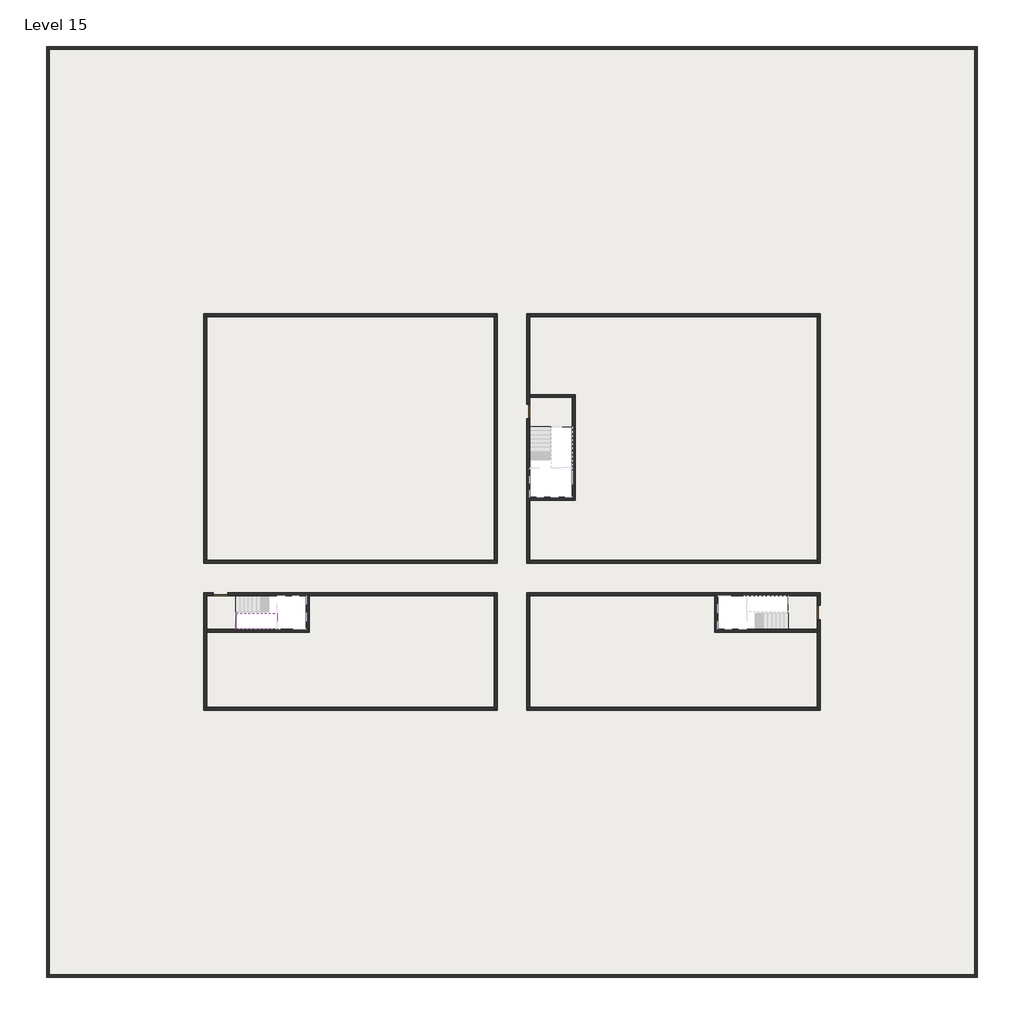
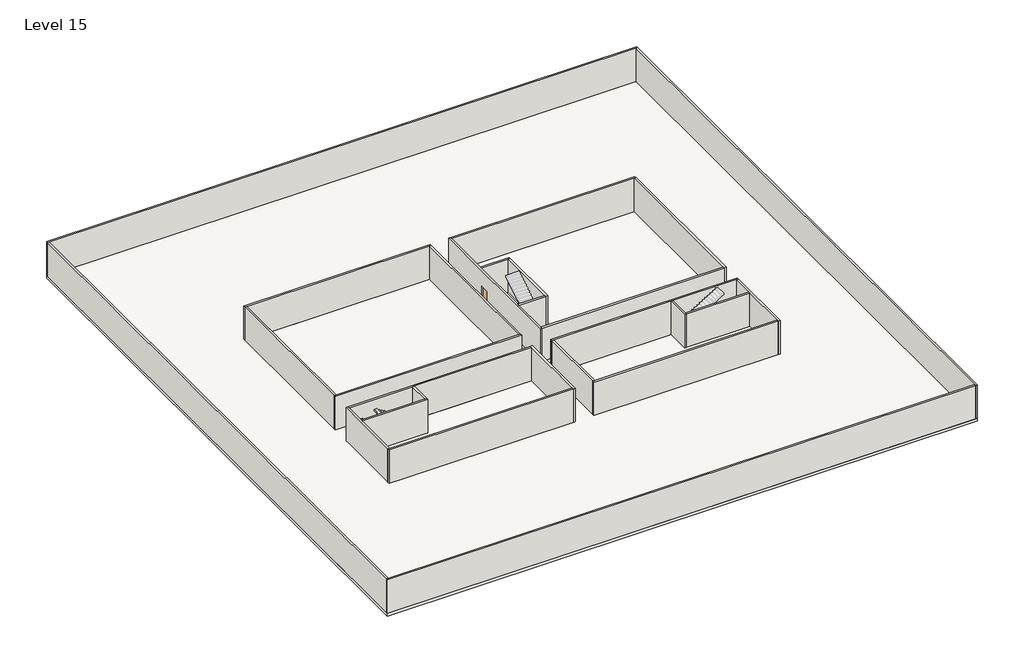
# One storey, part 1 of 2: 27 walls, 3 doors, 3 slabs, 1 stair flight.
"""IFC4 building model written with IfcOpenShell, lengths in millimetres."""

import ifcopenshell
import ifcopenshell.guid

model = None  # the IFC model being written
_history = None  # IfcOwnerHistory: only IFC2X3 demands one
_inside = {}  # id of a spatial element -> (the spatial element, [elements in it])
_under = {}  # id of a project, library or spatial element -> (it, [spatial elements below it])
_declared = {}  # id of a project -> (the project, [libraries it declares])
_typed = {}  # id of a type object -> (the type object, [elements of that type])
_made_of = {}  # id of a material, layer set ... -> (it, [elements and type objects made of it])


def new_model(schema):
    """Start an empty IFC model of exactly this schema.

    Asked for "IFC4X3", IfcOpenShell would pick the latest addendum, in which some entities
    have other attributes; the version numbers below select the first issue.
    IFC2X3 requires an IfcOwnerHistory on every rooted entity: one is made here for all.
    """
    global model, _history
    if schema == "IFC4X3":
        model = ifcopenshell.file(schema_version=(4, 3, 0, 0))
    else:
        model = ifcopenshell.file(schema=schema)
    _inside.clear()
    _under.clear()
    _declared.clear()
    _typed.clear()
    _made_of.clear()
    _history = None
    if model.schema == "IFC2X3":
        org = make("IfcOrganization", Name="unknown")
        user = make(
            "IfcPersonAndOrganization",
            ThePerson=make("IfcPerson", FamilyName="unknown"),
            TheOrganization=org,
        )
        app = make(
            "IfcApplication",
            ApplicationDeveloper=org,
            Version="unknown",
            ApplicationFullName="unknown",
            ApplicationIdentifier="unknown",
        )
        _history = make(
            "IfcOwnerHistory",
            OwningUser=user,
            OwningApplication=app,
            ChangeAction="ADDED",
            CreationDate=0,
        )
    return model


def make(cls, **values):
    """One entity of the class cls with the attributes given. An attribute that is None is left unset."""
    return model.create_entity(
        cls, **{name: value for name, value in values.items() if value is not None}
    )


def rooted(cls, **values):
    """An entity with a GlobalId (a new one), such as an element, a storey or a relation."""
    return make(cls, GlobalId=ifcopenshell.guid.new(), OwnerHistory=_history, **values)


def si_unit(unit_type, name, prefix=None):
    """IfcSIUnit, for example si_unit("LENGTHUNIT", "METRE", prefix="MILLI")."""
    return make("IfcSIUnit", UnitType=unit_type, Prefix=prefix, Name=name)


def assignment(units):
    """IfcUnitAssignment: the units of a project."""
    return None if units is None else make("IfcUnitAssignment", Units=units)


def point(xyz):
    """IfcCartesianPoint."""
    return None if xyz is None else make("IfcCartesianPoint", Coordinates=xyz)


def direction(xyz):
    """IfcDirection."""
    return None if xyz is None else make("IfcDirection", DirectionRatios=xyz)


def frame(location, z_axis=None, x_axis=None):
    """IfcAxis2Placement3D, a coordinate frame: its origin and axes. An axis left out is left unset."""
    return make(
        "IfcAxis2Placement3D",
        Location=point(location),
        Axis=direction(z_axis),
        RefDirection=direction(x_axis),
    )


def origin():
    """The frame at (0, 0, 0) with its axes left unset."""
    return frame((0.0, 0.0, 0.0))


def origin_with_axes():
    """The frame at (0, 0, 0) with the z axis (0, 0, 1) and the x axis (1, 0, 0) written out."""
    return frame((0.0, 0.0, 0.0), z_axis=(0.0, 0.0, 1.0), x_axis=(1.0, 0.0, 0.0))


def place(relative_to, where):
    """IfcLocalPlacement: puts the frame where relative to a parent placement (None: the world)."""
    return make(
        "IfcLocalPlacement", PlacementRelTo=relative_to, RelativePlacement=where
    )


def context(
    kind, dimensions, precision=None, world=None, true_north=None, identifier=None
):
    """IfcGeometricRepresentationContext, for example the 3D "Model" context."""
    return make(
        "IfcGeometricRepresentationContext",
        ContextIdentifier=identifier,
        ContextType=kind,
        CoordinateSpaceDimension=dimensions,
        Precision=precision,
        WorldCoordinateSystem=world,
        TrueNorth=true_north,
    )


def project(units=None, contexts=None):
    """IfcProject with its units and contexts."""
    return rooted(
        "IfcProject",
        Name="project",
        RepresentationContexts=contexts,
        UnitsInContext=assignment(units),
    )


def spatial(cls, under=None, at=None, **own):
    """A site, building, storey or space (cls), placed at a placement, below another one or the project."""
    s = rooted(cls, ObjectPlacement=at, **own)
    if under is not None:
        _under.setdefault(under.id(), (under, []))[1].append(s)
    return s


def polyline(points):
    """IfcPolyline through the points."""
    return make("IfcPolyline", Points=[point(p) for p in points])


def outline(outer, holes=None, kind="AREA"):
    """IfcArbitraryClosedProfileDef: a profile drawn as a closed curve; with holes, ...WithVoids."""
    if holes is None:
        return make("IfcArbitraryClosedProfileDef", ProfileType=kind, OuterCurve=outer)
    return make(
        "IfcArbitraryProfileDefWithVoids",
        ProfileType=kind,
        OuterCurve=outer,
        InnerCurves=holes,
    )


def extrude(swept, where, along, depth):
    """IfcExtrudedAreaSolid: the profile swept, set in the frame where, extruded along a direction by depth."""
    return make(
        "IfcExtrudedAreaSolid",
        SweptArea=swept,
        Position=where,
        ExtrudedDirection=direction(along),
        Depth=depth,
    )


def faces_of(points, faces, orient=None, outer=None):
    """IfcFace entities. A face is a list of loops; a loop is a list of indices into points, from 0.

    orient and outer hold one flag for each loop. By default every Orientation is true, the
    first loop of a face is its IfcFaceOuterBound and the others are IfcFaceBound.
    """
    made = []
    for i, loops in enumerate(faces):
        bounds = []
        for j, loop in enumerate(loops):
            is_outer = j == 0 if outer is None else outer[i][j]
            bounds.append(
                make(
                    "IfcFaceOuterBound" if is_outer else "IfcFaceBound",
                    Bound=make("IfcPolyLoop", Polygon=[points[k] for k in loop]),
                    Orientation=True if orient is None else orient[i][j],
                )
            )
        made.append(make("IfcFace", Bounds=bounds))
    return made


def faceted_brep(points, faces, orient=None, outer=None, voids=None):
    """IfcFacetedBrep: a solid bounded by flat faces; with voids (closed shells), ...WithVoids."""
    shared = [point(p) for p in points]
    hull = make("IfcClosedShell", CfsFaces=faces_of(shared, faces, orient, outer))
    if voids is None:
        return make("IfcFacetedBrep", Outer=hull)
    return make(
        "IfcFacetedBrepWithVoids",
        Outer=hull,
        Voids=[
            make(cls, CfsFaces=faces_of(shared, fs, o, b)) for cls, fs, o, b in voids
        ],
    )


def shape(context_of_items, identifier, shape_type, items):
    """IfcShapeRepresentation: the items that make up one representation, for example the "Body"."""
    return make(
        "IfcShapeRepresentation",
        ContextOfItems=context_of_items,
        RepresentationIdentifier=identifier,
        RepresentationType=shape_type,
        Items=items,
    )


def source(mapping_origin, context_of_items, identifier, shape_type, items):
    """IfcRepresentationMap: a shape defined once, which mapped items show again and again."""
    return make(
        "IfcRepresentationMap",
        MappingOrigin=mapping_origin,
        MappedRepresentation=shape(context_of_items, identifier, shape_type, items),
    )


def transform(
    local_origin,
    x_axis=None,
    y_axis=None,
    z_axis=None,
    scale=None,
    scale2=None,
    scale3=None,
    uniform=True,
):
    """IfcCartesianTransformationOperator3D, or its non-uniform kind. x_axis, y_axis, z_axis: its Axis1, 2, 3."""
    if uniform:
        return make(
            "IfcCartesianTransformationOperator3D",
            Axis1=direction(x_axis),
            Axis2=direction(y_axis),
            LocalOrigin=point(local_origin),
            Scale=scale,
            Axis3=direction(z_axis),
        )
    return make(
        "IfcCartesianTransformationOperator3DnonUniform",
        Axis1=direction(x_axis),
        Axis2=direction(y_axis),
        LocalOrigin=point(local_origin),
        Scale=scale,
        Axis3=direction(z_axis),
        Scale2=scale2,
        Scale3=scale3,
    )


def mapped(mapping_source, mapping_target):
    """IfcMappedItem: shows the shape of a source again, moved by a transform."""
    return make(
        "IfcMappedItem", MappingSource=mapping_source, MappingTarget=mapping_target
    )


def made_of(thing, what):
    """Note that an element or type object is made of a material, layer set ...; save() writes the relation."""
    if what is not None:
        _made_of.setdefault(what.id(), (what, []))[1].append(thing)
    return thing


def element(
    cls,
    number,
    at=None,
    inside=None,
    cuts=None,
    type_object=None,
    material=None,
    context=None,
    identifier="Body",
    shape_type=None,
    held_by="IfcProductDefinitionShape",
    body=None,
    shapes=None,
    **own,
):
    """One element of the class cls, such as IfcWall. Its Tag is "e" and its number.

    at: its placement. inside: the storey or other place that contains it. cuts: it is an
    opening in that element (IfcRelVoidsElement). A single representation is given by context,
    identifier, shape_type and body (its items); several are given by shapes. held_by: the class
    of the entity that holds the representations. save() writes the other relations.
    """
    e = rooted(cls, Tag="e%d" % number, ObjectPlacement=at, **own)
    if body is not None:
        shapes = [shape(context, identifier, shape_type, body)]
    if shapes is not None:
        e.Representation = make(held_by, Representations=shapes)
    if inside is not None:
        _inside.setdefault(inside.id(), (inside, []))[1].append(e)
    if cuts is not None:
        rooted(
            "IfcRelVoidsElement", RelatingBuildingElement=cuts, RelatedOpeningElement=e
        )
    if type_object is not None:
        _typed.setdefault(type_object.id(), (type_object, []))[1].append(e)
    return made_of(e, material)


def aggregate(whole, parts):
    """IfcRelAggregates: a whole, such as a stair, and the parts it consists of."""
    return rooted("IfcRelAggregates", RelatingObject=whole, RelatedObjects=parts)


def save(model, path):
    """Write the relations noted so far, then the file.

    IfcRelAggregates (storeys below a building ...), IfcRelContainedInSpatialStructure (elements
    in a storey), IfcRelDefinesByType, IfcRelAssociatesMaterial and IfcRelDeclares: one each for
    every whole, place, type object, material and project.
    """
    for whole, parts in _under.values():
        aggregate(whole, parts)
    for where, things in _inside.values():
        rooted(
            "IfcRelContainedInSpatialStructure",
            RelatedElements=things,
            RelatingStructure=where,
        )
    for kind, things in _typed.values():
        rooted("IfcRelDefinesByType", RelatedObjects=things, RelatingType=kind)
    for what, things in _made_of.values():
        rooted("IfcRelAssociatesMaterial", RelatedObjects=things, RelatingMaterial=what)
    for by, libraries in _declared.values():
        rooted("IfcRelDeclares", RelatingContext=by, RelatedDefinitions=libraries)
    model.write(path)


def door_fb3c37fd(model_context):
    return source(origin(), model_context, "Body", "SweptSolid", [
        extrude(outline(polyline([(500.0, 49.0), (-500.0, 49.0), (-500.0, 100.0), (500.0, 100.0), (500.0, 49.0)])), origin_with_axes(), (0.0, 0.0, 1.0), 2100.0),
    ])


def door_0317a72c(model_context):
    return source(origin(), model_context, "Body", "SweptSolid", [
        extrude(outline(polyline([(500.0, -49.0), (500.0, -100.0), (-500.0, -100.0), (-500.0, -49.0), (500.0, -49.0)])), origin_with_axes(), (0.0, 0.0, 1.0), 2100.0),
    ])


model = new_model("IFC4")

# Units and contexts
model_context = context("Model", 3, world=origin())
ifc_project = project(units=[si_unit("LENGTHUNIT", "METRE", prefix="MILLI")], contexts=[model_context])

# Site, building, storey
site = spatial("IfcSite", under=ifc_project)
building = spatial("IfcBuilding", under=site)
storey = spatial("IfcBuildingStorey", under=building, Name="Level 15", Elevation=53200.0)

# Doors
placement = place(None, origin())
door_shape = door_fb3c37fd(model_context)
element("IfcDoor", 1, at=placement, inside=storey, context=model_context, shape_type="MappedRepresentation", body=[
    mapped(door_shape, transform((4340.1058784, -42818.09644, 53200.0), x_axis=(-1.0, 0.0, 0.0), y_axis=(0.0, -1.0, 0.0), z_axis=(0.0, 0.0, 1.0))),
])
element("IfcDoor", 2, at=placement, inside=storey, context=model_context, shape_type="MappedRepresentation", body=[
    mapped(door_shape, transform((45090.1058784, -44068.09644, 53200.0), x_axis=(0.0, 1.0, 0.0), y_axis=(-1.0, 0.0, 0.0), z_axis=(0.0, 0.0, 1.0))),
])
door_2_shape = door_0317a72c(model_context)
element("IfcDoor", 3, at=placement, inside=storey, context=model_context, shape_type="MappedRepresentation", body=[
    mapped(door_2_shape, transform((25290.1058784, -30368.09644, 53200.0), x_axis=(0.0, 1.0, 0.0), y_axis=(-1.0, 0.0, 0.0), z_axis=(0.0, 0.0, 1.0))),
])

# Slabs
element("IfcSlab", 4, at=placement, inside=storey, context=model_context, shape_type="SweptSolid", body=[
    extrude(outline(polyline([(55890.1058784, -5518.09644), (55890.1058784, -68918.09644), (-7509.8941216, -68918.09644), (-7509.8941216, -5518.09644), (55890.1058784, -5518.09644)]), holes=[polyline([(22990.1058784, -23918.09644), (3390.1058784, -23918.09644), (3390.1058784, -40518.09644), (22990.1058784, -40518.09644), (22990.1058784, -23918.09644)]), polyline([(44990.1058784, -23918.09644), (25390.1058784, -23918.09644), (25390.1058784, -40518.09644), (44990.1058784, -40518.09644), (44990.1058784, -23918.09644)]), polyline([(44990.1058784, -42918.09644), (25390.1058784, -42918.09644), (25390.1058784, -50518.09644), (44990.1058784, -50518.09644), (44990.1058784, -42918.09644)]), polyline([(22990.1058784, -42918.09644), (3390.1058784, -42918.09644), (3390.1058784, -50518.09644), (22990.1058784, -50518.09644), (22990.1058784, -42918.09644)])]), frame((0.0, 0.0, 52900.0), z_axis=(0.0, 0.0, 1.0), x_axis=(1.0, 0.0, 0.0)), (0.0, 0.0, 1.0), 300.0),
])
element("IfcSlab", 5, at=placement, inside=storey, context=model_context, shape_type="SweptSolid", body=[
    extrude(outline(polyline([(22990.1058784, -23918.09644), (22990.1058784, -40518.09644), (3390.1058784, -40518.09644), (3390.1058784, -23918.09644), (22990.1058784, -23918.09644)])), frame((0.0, 0.0, 52900.0), z_axis=(0.0, 0.0, 1.0), x_axis=(1.0, 0.0, 0.0)), (0.0, 0.0, 1.0), 300.0),
    extrude(outline(polyline([(44990.1058784, -23918.09644), (44990.1058784, -40518.09644), (25390.1058784, -40518.09644), (25390.1058784, -36418.09644), (28490.1058784, -36418.09644), (28490.1058784, -29218.09644), (25390.1058784, -29218.09644), (25390.1058784, -23918.09644), (44990.1058784, -23918.09644)])), frame((0.0, 0.0, 52900.0), z_axis=(0.0, 0.0, 1.0), x_axis=(1.0, 0.0, 0.0)), (0.0, 0.0, 1.0), 300.0),
    extrude(outline(polyline([(22990.1058784, -42918.09644), (22990.1058784, -50518.09644), (3390.1058784, -50518.09644), (3390.1058784, -45418.09644), (10390.1058784, -45418.09644), (10390.1058784, -42918.09644), (22990.1058784, -42918.09644)])), frame((0.0, 0.0, 52900.0), z_axis=(0.0, 0.0, 1.0), x_axis=(1.0, 0.0, 0.0)), (0.0, 0.0, 1.0), 300.0),
    extrude(outline(polyline([(37990.1058784, -42918.09644), (37990.1058784, -45418.09644), (44990.1058784, -45418.09644), (44990.1058784, -50518.09644), (25390.1058784, -50518.09644), (25390.1058784, -42918.09644), (37990.1058784, -42918.09644)])), frame((0.0, 0.0, 52900.0), z_axis=(0.0, 0.0, 1.0), x_axis=(1.0, 0.0, 0.0)), (0.0, 0.0, 1.0), 300.0),
])
element("IfcSlab", 6, at=placement, inside=storey, context=model_context, shape_type="SweptSolid", body=[
    extrude(outline(polyline([(44990.1058784, -42918.09644), (44990.1058784, -45218.09644), (42990.1058784, -45218.09644), (42990.1058784, -42918.09644), (44990.1058784, -42918.09644)])), frame((0.0, 0.0, 52900.0), z_axis=(0.0, 0.0, 1.0), x_axis=(1.0, 0.0, 0.0)), (0.0, 0.0, 1.0), 300.0),
    extrude(outline(polyline([(5390.1058784, -42918.09644), (5390.1058784, -45218.09644), (3390.1058784, -45218.09644), (3390.1058784, -42918.09644), (5390.1058784, -42918.09644)])), frame((0.0, 0.0, 52900.0), z_axis=(0.0, 0.0, 1.0), x_axis=(1.0, 0.0, 0.0)), (0.0, 0.0, 1.0), 300.0),
    extrude(outline(polyline([(28290.1058784, -29418.09644), (28290.1058784, -31418.09644), (25390.1058784, -31418.09644), (25390.1058784, -29418.09644), (28290.1058784, -29418.09644)])), frame((0.0, 0.0, 52900.0), z_axis=(0.0, 0.0, 1.0), x_axis=(1.0, 0.0, 0.0)), (0.0, 0.0, 1.0), 300.0),
])

# Stair flight
element("IfcStairFlight", 7, at=placement, inside=storey, context=model_context, shape_type="Brep", body=[
    faceted_brep([(7910.1058784, -45218.09644, 55272.7272727), (8190.1058784, -45218.09644, 55272.7272727), (8190.1058784, -44118.09644, 55272.7272727), (7910.1058784, -44118.09644, 55272.7272727), (7910.1058784, -45218.09644, 55096.4823932), (8190.1058784, -45218.09644, 54923.7551205), (8190.1058784, -45218.09644, 55100.0), (8190.1058784, -44118.09644, 54923.7551205), (7910.1058784, -44118.09644, 55096.4823932), (7630.1058784, -45218.09644, 55445.4545455), (7910.1058784, -45218.09644, 55445.4545455), (7910.1058784, -44118.09644, 55445.4545455), (7630.1058784, -44118.09644, 55445.4545455), (7630.1058784, -45218.09644, 55269.209666), (7630.1058784, -44118.09644, 55269.209666), (7350.1058784, -45218.09644, 55618.1818182), (7630.1058784, -45218.09644, 55618.1818182), (7630.1058784, -44118.09644, 55618.1818182), (7350.1058784, -44118.09644, 55618.1818182), (7350.1058784, -45218.09644, 55441.9369387), (7350.1058784, -44118.09644, 55441.9369387), (7070.1058784, -45218.09644, 55790.9090909), (7350.1058784, -45218.09644, 55790.9090909), (7350.1058784, -44118.09644, 55790.9090909), (7070.1058784, -44118.09644, 55790.9090909), (7070.1058784, -45218.09644, 55614.6642114), (7070.1058784, -44118.09644, 55614.6642114), (6790.1058784, -45218.09644, 55963.6363636), (7070.1058784, -45218.09644, 55963.6363636), (7070.1058784, -44118.09644, 55963.6363636), (6790.1058784, -44118.09644, 55963.6363636), (6790.1058784, -45218.09644, 55787.3914841), (6790.1058784, -44118.09644, 55787.3914841), (6510.1058784, -45218.09644, 56136.3636364), (6790.1058784, -45218.09644, 56136.3636364), (6790.1058784, -44118.09644, 56136.3636364), (6510.1058784, -44118.09644, 56136.3636364), (6510.1058784, -45218.09644, 55960.1187569), (6510.1058784, -44118.09644, 55960.1187569), (6230.1058784, -45218.09644, 56309.0909091), (6510.1058784, -45218.09644, 56309.0909091), (6510.1058784, -44118.09644, 56309.0909091), (6230.1058784, -44118.09644, 56309.0909091), (6230.1058784, -45218.09644, 56132.8460296), (6230.1058784, -44118.09644, 56132.8460296), (5950.1058784, -45218.09644, 56481.8181818), (6230.1058784, -45218.09644, 56481.8181818), (6230.1058784, -44118.09644, 56481.8181818), (5950.1058784, -44118.09644, 56481.8181818), (5950.1058784, -45218.09644, 56305.5733023), (5950.1058784, -44118.09644, 56305.5733023), (5670.1058784, -45218.09644, 56654.5454545), (5950.1058784, -45218.09644, 56654.5454545), (5950.1058784, -44118.09644, 56654.5454545), (5670.1058784, -44118.09644, 56654.5454545), (5670.1058784, -45218.09644, 56478.3005751), (5670.1058784, -44118.09644, 56478.3005751), (5390.1058784, -45218.09644, 56827.2727273), (5670.1058784, -45218.09644, 56827.2727273), (5670.1058784, -44118.09644, 56827.2727273), (5390.1058784, -44118.09644, 56827.2727273), (5390.1058784, -45218.09644, 56651.0278478), (5390.1058784, -44118.09644, 56651.0278478)], [[[0, 1, 2, 3]], [[1, 0, 4, 5, 6]], [[2, 1, 6, 5, 7]], [[3, 2, 7, 8]], [[9, 10, 11, 12]], [[10, 9, 13, 4, 0]], [[11, 10, 0, 3]], [[12, 11, 3, 8, 14]], [[15, 16, 17, 18]], [[16, 15, 19, 13, 9]], [[17, 16, 9, 12]], [[18, 17, 12, 14, 20]], [[21, 22, 23, 24]], [[22, 21, 25, 19, 15]], [[23, 22, 15, 18]], [[24, 23, 18, 20, 26]], [[27, 28, 29, 30]], [[28, 27, 31, 25, 21]], [[29, 28, 21, 24]], [[30, 29, 24, 26, 32]], [[33, 34, 35, 36]], [[34, 33, 37, 31, 27]], [[35, 34, 27, 30]], [[36, 35, 30, 32, 38]], [[39, 40, 41, 42]], [[40, 39, 43, 37, 33]], [[41, 40, 33, 36]], [[42, 41, 36, 38, 44]], [[45, 46, 47, 48]], [[46, 45, 49, 43, 39]], [[47, 46, 39, 42]], [[48, 47, 42, 44, 50]], [[51, 52, 53, 54]], [[52, 51, 55, 49, 45]], [[53, 52, 45, 48]], [[54, 53, 48, 50, 56]], [[57, 58, 59, 60]], [[58, 57, 61, 55, 51]], [[59, 58, 51, 54]], [[60, 59, 54, 56, 62]], [[57, 60, 62, 61]], [[5, 4, 13, 19, 25, 31, 37, 43, 49, 55, 61, 62, 56, 50, 44, 38, 32, 26, 20, 14, 8, 7]]]),
])

# Walls
element("IfcWall", 8, at=placement, inside=storey, context=model_context, shape_type="Brep", body=[
    faceted_brep([(-7509.8941216, -5718.09644, 53200.0), (-7309.8941216, -5718.09644, 53200.0), (55690.1058784, -5718.09644, 53200.0), (55890.1058784, -5718.09644, 53200.0), (55890.1058784, -5718.09644, 57000.0), (55690.1058784, -5718.09644, 57000.0), (-7309.8941216, -5718.09644, 57000.0), (-7509.8941216, -5718.09644, 57000.0), (-7509.8941216, -5518.09644, 53200.0), (-7509.8941216, -5518.09644, 57000.0), (55890.1058784, -5518.09644, 57000.0), (55890.1058784, -5518.09644, 53200.0)], [[[0, 1, 2, 3, 4, 5, 6, 7]], [[8, 9, 10, 11]], [[3, 2, 1, 0, 8, 11]], [[7, 6, 5, 4, 10, 9]], [[4, 3, 11, 10]], [[0, 7, 9, 8]]]),
])
element("IfcWall", 9, at=placement, inside=storey, context=model_context, shape_type="Brep", body=[
    faceted_brep([(55690.1058784, -5718.09644, 53200.0), (55690.1058784, -68718.09644, 53200.0), (55690.1058784, -68918.09644, 53200.0), (55690.1058784, -68918.09644, 57000.0), (55690.1058784, -68718.09644, 57000.0), (55690.1058784, -5718.09644, 57000.0), (55890.1058784, -5718.09644, 53200.0), (55890.1058784, -5718.09644, 57000.0), (55890.1058784, -68918.09644, 57000.0), (55890.1058784, -68918.09644, 53200.0)], [[[0, 1, 2, 3, 4, 5]], [[6, 7, 8, 9]], [[2, 1, 0, 6, 9]], [[5, 4, 3, 8, 7]], [[0, 5, 7, 6]], [[3, 2, 9, 8]]]),
])
element("IfcWall", 10, at=placement, inside=storey, context=model_context, shape_type="Brep", body=[
    faceted_brep([(55690.1058784, -68718.09644, 53200.0), (-7309.8941216, -68718.09644, 53200.0), (-7509.8941216, -68718.09644, 53200.0), (-7509.8941216, -68718.09644, 57000.0), (-7309.8941216, -68718.09644, 57000.0), (55690.1058784, -68718.09644, 57000.0), (55690.1058784, -68918.09644, 53200.0), (55690.1058784, -68918.09644, 57000.0), (-7509.8941216, -68918.09644, 57000.0), (-7509.8941216, -68918.09644, 53200.0)], [[[0, 1, 2, 3, 4, 5]], [[6, 7, 8, 9]], [[2, 1, 0, 6, 9]], [[5, 4, 3, 8, 7]], [[0, 5, 7, 6]], [[3, 2, 9, 8]]]),
])
element("IfcWall", 11, at=placement, inside=storey, context=model_context, shape_type="SweptSolid", body=[
    extrude(outline(polyline([(-7309.8941216, -5718.09644), (-7309.8941216, -68718.09644), (-7509.8941216, -68718.09644), (-7509.8941216, -5718.09644), (-7309.8941216, -5718.09644)])), frame((0.0, 0.0, 53200.0), z_axis=(0.0, 0.0, 1.0), x_axis=(1.0, 0.0, 0.0)), (0.0, 0.0, 1.0), 3800.0),
])
element("IfcWall", 12, at=placement, inside=storey, context=model_context, shape_type="Brep", body=[
    faceted_brep([(3190.1058784, -23918.09644, 53200.0), (3390.1058784, -23918.09644, 53200.0), (22990.1058784, -23918.09644, 53200.0), (23190.1058784, -23918.09644, 53200.0), (23190.1058784, -23918.09644, 57000.0), (22990.1058784, -23918.09644, 57000.0), (3390.1058784, -23918.09644, 57000.0), (3190.1058784, -23918.09644, 57000.0), (3190.1058784, -23718.09644, 53200.0), (3190.1058784, -23718.09644, 57000.0), (23190.1058784, -23718.09644, 57000.0), (23190.1058784, -23718.09644, 53200.0)], [[[0, 1, 2, 3, 4, 5, 6, 7]], [[8, 9, 10, 11]], [[3, 2, 1, 0, 8, 11]], [[7, 6, 5, 4, 10, 9]], [[0, 7, 9, 8]], [[4, 3, 11, 10]]]),
])
element("IfcWall", 13, at=placement, inside=storey, context=model_context, shape_type="Brep", body=[
    faceted_brep([(44990.1058784, -23918.09644, 53200.0), (44990.1058784, -40518.09644, 53200.0), (44990.1058784, -40718.09644, 53200.0), (44990.1058784, -40718.09644, 57000.0), (44990.1058784, -40518.09644, 57000.0), (44990.1058784, -23918.09644, 57000.0), (45190.1058784, -23918.09644, 53200.0), (45190.1058784, -23918.09644, 57000.0), (45190.1058784, -40718.09644, 57000.0), (45190.1058784, -40718.09644, 53200.0)], [[[0, 1, 2, 3, 4, 5]], [[6, 7, 8, 9]], [[2, 1, 0, 6, 9]], [[5, 4, 3, 8, 7]], [[0, 5, 7, 6]], [[3, 2, 9, 8]]]),
])
element("IfcWall", 14, at=placement, inside=storey, context=model_context, shape_type="Brep", body=[
    faceted_brep([(44990.1058784, -50518.09644, 53200.0), (25390.1058784, -50518.09644, 53200.0), (25190.1058784, -50518.09644, 53200.0), (25190.1058784, -50518.09644, 57000.0), (25390.1058784, -50518.09644, 57000.0), (44990.1058784, -50518.09644, 57000.0), (44990.1058784, -50718.09644, 53200.0), (44990.1058784, -50718.09644, 57000.0), (25190.1058784, -50718.09644, 57000.0), (25190.1058784, -50718.09644, 53200.0)], [[[0, 1, 2, 3, 4, 5]], [[6, 7, 8, 9]], [[2, 1, 0, 6, 9]], [[5, 4, 3, 8, 7]], [[3, 2, 9, 8]], [[0, 5, 7, 6]]]),
])
element("IfcWall", 15, at=placement, inside=storey, context=model_context, shape_type="Brep", body=[
    faceted_brep([(3390.1058784, -50518.09644, 53200.0), (3390.1058784, -45418.09644, 53200.0), (3390.1058784, -45218.09644, 53200.0), (3390.1058784, -42918.09644, 53200.0), (3390.1058784, -42718.09644, 53200.0), (3390.1058784, -42718.09644, 57000.0), (3390.1058784, -42918.09644, 57000.0), (3390.1058784, -45218.09644, 57000.0), (3390.1058784, -45418.09644, 57000.0), (3390.1058784, -50518.09644, 57000.0), (3190.1058784, -50518.09644, 53200.0), (3190.1058784, -50518.09644, 57000.0), (3190.1058784, -42718.09644, 57000.0), (3190.1058784, -42718.09644, 53200.0)], [[[0, 1, 2, 3, 4, 5, 6, 7, 8, 9]], [[10, 11, 12, 13]], [[4, 3, 2, 1, 0, 10, 13]], [[9, 8, 7, 6, 5, 12, 11]], [[0, 9, 11, 10]], [[5, 4, 13, 12]]]),
])
element("IfcWall", 16, at=placement, inside=storey, context=model_context, shape_type="SweptSolid", body=[
    extrude(outline(polyline([(22990.1058784, -40518.09644), (22990.1058784, -23918.09644), (23190.1058784, -23918.09644), (23190.1058784, -40518.09644), (22990.1058784, -40518.09644)])), frame((0.0, 0.0, 53200.0), z_axis=(0.0, 0.0, 1.0), x_axis=(1.0, 0.0, 0.0)), (0.0, 0.0, 1.0), 3800.0),
])
element("IfcWall", 17, at=placement, inside=storey, context=model_context, shape_type="Brep", body=[
    faceted_brep([(23190.1058784, -40518.09644, 53200.0), (22990.1058784, -40518.09644, 53200.0), (3390.1058784, -40518.09644, 53200.0), (3190.1058784, -40518.09644, 53200.0), (3190.1058784, -40518.09644, 57000.0), (3390.1058784, -40518.09644, 57000.0), (22990.1058784, -40518.09644, 57000.0), (23190.1058784, -40518.09644, 57000.0), (23190.1058784, -40718.09644, 53200.0), (23190.1058784, -40718.09644, 57000.0), (3190.1058784, -40718.09644, 57000.0), (3190.1058784, -40718.09644, 53200.0)], [[[0, 1, 2, 3, 4, 5, 6, 7]], [[8, 9, 10, 11]], [[3, 2, 1, 0, 8, 11]], [[7, 6, 5, 4, 10, 9]], [[4, 3, 11, 10]], [[0, 7, 9, 8]]]),
])
element("IfcWall", 18, at=placement, inside=storey, context=model_context, shape_type="Brep", body=[
    faceted_brep([(3390.1058784, -42918.09644, 53200.0), (3840.1058784, -42918.09644, 53200.0), (3840.1058784, -42918.09644, 55300.0), (4840.1058784, -42918.09644, 55300.0), (4840.1058784, -42918.09644, 53200.0), (10190.1058784, -42918.09644, 53200.0), (10390.1058784, -42918.09644, 53200.0), (22990.1058784, -42918.09644, 53200.0), (22990.1058784, -42918.09644, 57000.0), (10390.1058784, -42918.09644, 57000.0), (10190.1058784, -42918.09644, 57000.0), (3390.1058784, -42918.09644, 57000.0), (3840.1058784, -42718.09644, 55300.0), (3840.1058784, -42718.09644, 53200.0), (3390.1058784, -42718.09644, 53200.0), (3390.1058784, -42718.09644, 57000.0), (22990.1058784, -42718.09644, 57000.0), (22990.1058784, -42718.09644, 53200.0), (4840.1058784, -42718.09644, 53200.0), (4840.1058784, -42718.09644, 55300.0)], [[[0, 1, 2, 3, 4, 5, 6, 7, 8, 9, 10, 11]], [[12, 13, 14, 15, 16, 17, 18, 19]], [[18, 17, 7, 6, 5, 4]], [[14, 13, 1, 0]], [[11, 10, 9, 8, 16, 15]], [[2, 1, 13, 12]], [[3, 2, 12, 19]], [[4, 3, 19, 18]], [[0, 11, 15, 14]], [[8, 7, 17, 16]]]),
])
element("IfcWall", 19, at=placement, inside=storey, context=model_context, shape_type="SweptSolid", body=[
    extrude(outline(polyline([(25390.1058784, -40518.09644), (44990.1058784, -40518.09644), (44990.1058784, -40718.09644), (25390.1058784, -40718.09644), (25390.1058784, -40518.09644)])), frame((0.0, 0.0, 53200.0), z_axis=(0.0, 0.0, 1.0), x_axis=(1.0, 0.0, 0.0)), (0.0, 0.0, 1.0), 3800.0),
])
element("IfcWall", 20, at=placement, inside=storey, context=model_context, shape_type="Brep", body=[
    faceted_brep([(25390.1058784, -29868.09644, 55300.0), (25390.1058784, -29868.09644, 53200.0), (25390.1058784, -29418.09644, 53200.0), (25390.1058784, -29218.09644, 53200.0), (25390.1058784, -23918.09644, 53200.0), (25390.1058784, -23718.09644, 53200.0), (25390.1058784, -23718.09644, 57000.0), (25390.1058784, -23918.09644, 57000.0), (25390.1058784, -29218.09644, 57000.0), (25390.1058784, -29418.09644, 57000.0), (25390.1058784, -36218.09644, 57000.0), (25390.1058784, -36418.09644, 57000.0), (25390.1058784, -40518.09644, 57000.0), (25390.1058784, -40718.09644, 57000.0), (25390.1058784, -40718.09644, 53200.0), (25390.1058784, -40518.09644, 53200.0), (25390.1058784, -36418.09644, 53200.0), (25390.1058784, -36218.09644, 53200.0), (25390.1058784, -30868.09644, 53200.0), (25390.1058784, -30868.09644, 55300.0), (25190.1058784, -23718.09644, 53200.0), (25190.1058784, -29868.09644, 53200.0), (25190.1058784, -29868.09644, 55300.0), (25190.1058784, -30868.09644, 55300.0), (25190.1058784, -30868.09644, 53200.0), (25190.1058784, -40718.09644, 53200.0), (25190.1058784, -40718.09644, 57000.0), (25190.1058784, -23718.09644, 57000.0)], [[[0, 1, 2, 3, 4, 5, 6, 7, 8, 9, 10, 11, 12, 13, 14, 15, 16, 17, 18, 19]], [[20, 21, 22, 23, 24, 25, 26, 27]], [[5, 4, 3, 2, 1, 21, 20]], [[18, 17, 16, 15, 14, 25, 24]], [[13, 12, 11, 10, 9, 8, 7, 6, 27, 26]], [[22, 21, 1, 0]], [[23, 22, 0, 19]], [[24, 23, 19, 18]], [[14, 13, 26, 25]], [[6, 5, 20, 27]]]),
])
element("IfcWall", 21, at=placement, inside=storey, context=model_context, shape_type="SweptSolid", body=[
    extrude(outline(polyline([(3390.1058784, -23918.09644), (3390.1058784, -40518.09644), (3190.1058784, -40518.09644), (3190.1058784, -23918.09644), (3390.1058784, -23918.09644)])), frame((0.0, 0.0, 53200.0), z_axis=(0.0, 0.0, 1.0), x_axis=(1.0, 0.0, 0.0)), (0.0, 0.0, 1.0), 3800.0),
])
element("IfcWall", 22, at=placement, inside=storey, context=model_context, shape_type="Brep", body=[
    faceted_brep([(25390.1058784, -23918.09644, 53200.0), (44990.1058784, -23918.09644, 53200.0), (45190.1058784, -23918.09644, 53200.0), (45190.1058784, -23918.09644, 57000.0), (44990.1058784, -23918.09644, 57000.0), (25390.1058784, -23918.09644, 57000.0), (25390.1058784, -23718.09644, 53200.0), (25390.1058784, -23718.09644, 57000.0), (45190.1058784, -23718.09644, 57000.0), (45190.1058784, -23718.09644, 53200.0)], [[[0, 1, 2, 3, 4, 5]], [[6, 7, 8, 9]], [[2, 1, 0, 6, 9]], [[5, 4, 3, 8, 7]], [[3, 2, 9, 8]], [[0, 5, 7, 6]]]),
])
element("IfcWall", 23, at=placement, inside=storey, context=model_context, shape_type="Brep", body=[
    faceted_brep([(44990.1058784, -42918.09644, 53200.0), (44990.1058784, -43568.09644, 53200.0), (44990.1058784, -43568.09644, 55300.0), (44990.1058784, -44568.09644, 55300.0), (44990.1058784, -44568.09644, 53200.0), (44990.1058784, -45218.09644, 53200.0), (44990.1058784, -45418.09644, 53200.0), (44990.1058784, -50518.09644, 53200.0), (44990.1058784, -50718.09644, 53200.0), (44990.1058784, -50718.09644, 57000.0), (44990.1058784, -50518.09644, 57000.0), (44990.1058784, -45418.09644, 57000.0), (44990.1058784, -45218.09644, 57000.0), (44990.1058784, -42918.09644, 57000.0), (45190.1058784, -43568.09644, 55300.0), (45190.1058784, -43568.09644, 53200.0), (45190.1058784, -42918.09644, 53200.0), (45190.1058784, -42918.09644, 57000.0), (45190.1058784, -50718.09644, 57000.0), (45190.1058784, -50718.09644, 53200.0), (45190.1058784, -44568.09644, 53200.0), (45190.1058784, -44568.09644, 55300.0)], [[[0, 1, 2, 3, 4, 5, 6, 7, 8, 9, 10, 11, 12, 13]], [[14, 15, 16, 17, 18, 19, 20, 21]], [[20, 19, 8, 7, 6, 5, 4]], [[16, 15, 1, 0]], [[13, 12, 11, 10, 9, 18, 17]], [[2, 1, 15, 14]], [[3, 2, 14, 21]], [[4, 3, 21, 20]], [[9, 8, 19, 18]], [[0, 13, 17, 16]]]),
])
element("IfcWall", 24, at=placement, inside=storey, context=model_context, shape_type="Brep", body=[
    faceted_brep([(25390.1058784, -29418.09644, 53200.0), (28290.1058784, -29418.09644, 53200.0), (28490.1058784, -29418.09644, 53200.0), (28490.1058784, -29418.09644, 57000.0), (28290.1058784, -29418.09644, 57000.0), (25390.1058784, -29418.09644, 57000.0), (25390.1058784, -29218.09644, 53200.0), (25390.1058784, -29218.09644, 57000.0), (28490.1058784, -29218.09644, 57000.0), (28490.1058784, -29218.09644, 53200.0)], [[[0, 1, 2, 3, 4, 5]], [[6, 7, 8, 9]], [[2, 1, 0, 6, 9]], [[5, 4, 3, 8, 7]], [[3, 2, 9, 8]], [[0, 5, 7, 6]]]),
])
element("IfcWall", 25, at=placement, inside=storey, context=model_context, shape_type="Brep", body=[
    faceted_brep([(28290.1058784, -29418.09644, 53200.0), (28290.1058784, -36218.09644, 53200.0), (28290.1058784, -36418.09644, 53200.0), (28290.1058784, -36418.09644, 57000.0), (28290.1058784, -36218.09644, 57000.0), (28290.1058784, -29418.09644, 57000.0), (28490.1058784, -29418.09644, 53200.0), (28490.1058784, -29418.09644, 57000.0), (28490.1058784, -36418.09644, 57000.0), (28490.1058784, -36418.09644, 53200.0)], [[[0, 1, 2, 3, 4, 5]], [[6, 7, 8, 9]], [[2, 1, 0, 6, 9]], [[5, 4, 3, 8, 7]], [[3, 2, 9, 8]], [[0, 5, 7, 6]]]),
])
element("IfcWall", 26, at=placement, inside=storey, context=model_context, shape_type="SweptSolid", body=[
    extrude(outline(polyline([(25390.1058784, -36218.09644), (28290.1058784, -36218.09644), (28290.1058784, -36418.09644), (25390.1058784, -36418.09644), (25390.1058784, -36218.09644)])), frame((0.0, 0.0, 53200.0), z_axis=(0.0, 0.0, 1.0), x_axis=(1.0, 0.0, 0.0)), (0.0, 0.0, 1.0), 3800.0),
])
element("IfcWall", 27, at=placement, inside=storey, context=model_context, shape_type="Brep", body=[
    faceted_brep([(3390.1058784, -45418.09644, 53200.0), (10390.1058784, -45418.09644, 53200.0), (10390.1058784, -45418.09644, 57000.0), (3390.1058784, -45418.09644, 57000.0), (3390.1058784, -45218.09644, 53200.0), (3390.1058784, -45218.09644, 57000.0), (10190.1058784, -45218.09644, 57000.0), (10390.1058784, -45218.09644, 57000.0), (10390.1058784, -45218.09644, 53200.0), (10190.1058784, -45218.09644, 53200.0)], [[[0, 1, 2, 3]], [[4, 5, 6, 7, 8, 9]], [[1, 0, 4, 9, 8]], [[3, 2, 7, 6, 5]], [[2, 1, 8, 7]], [[0, 3, 5, 4]]]),
])
element("IfcWall", 28, at=placement, inside=storey, context=model_context, shape_type="SweptSolid", body=[
    extrude(outline(polyline([(10390.1058784, -42918.09644), (10390.1058784, -45218.09644), (10190.1058784, -45218.09644), (10190.1058784, -42918.09644), (10390.1058784, -42918.09644)])), frame((0.0, 0.0, 53200.0), z_axis=(0.0, 0.0, 1.0), x_axis=(1.0, 0.0, 0.0)), (0.0, 0.0, 1.0), 3800.0),
])
element("IfcWall", 29, at=placement, inside=storey, context=model_context, shape_type="Brep", body=[
    faceted_brep([(37990.1058784, -42918.09644, 53200.0), (37990.1058784, -45418.09644, 53200.0), (37990.1058784, -45418.09644, 57000.0), (37990.1058784, -42918.09644, 57000.0), (38190.1058784, -42918.09644, 53200.0), (38190.1058784, -42918.09644, 57000.0), (38190.1058784, -45218.09644, 57000.0), (38190.1058784, -45418.09644, 57000.0), (38190.1058784, -45418.09644, 53200.0), (38190.1058784, -45218.09644, 53200.0)], [[[0, 1, 2, 3]], [[4, 5, 6, 7, 8, 9]], [[1, 0, 4, 9, 8]], [[3, 2, 7, 6, 5]], [[2, 1, 8, 7]], [[0, 3, 5, 4]]]),
])
element("IfcWall", 30, at=placement, inside=storey, context=model_context, shape_type="SweptSolid", body=[
    extrude(outline(polyline([(44990.1058784, -45418.09644), (38190.1058784, -45418.09644), (38190.1058784, -45218.09644), (44990.1058784, -45218.09644), (44990.1058784, -45418.09644)])), frame((0.0, 0.0, 53200.0), z_axis=(0.0, 0.0, 1.0), x_axis=(1.0, 0.0, 0.0)), (0.0, 0.0, 1.0), 3800.0),
])
element("IfcWall", 31, at=placement, inside=storey, context=model_context, shape_type="SweptSolid", body=[
    extrude(outline(polyline([(25190.1058784, -50518.09644), (25190.1058784, -42918.09644), (25390.1058784, -42918.09644), (25390.1058784, -50518.09644), (25190.1058784, -50518.09644)])), frame((0.0, 0.0, 53200.0), z_axis=(0.0, 0.0, 1.0), x_axis=(1.0, 0.0, 0.0)), (0.0, 0.0, 1.0), 3800.0),
])
element("IfcWall", 32, at=placement, inside=storey, context=model_context, shape_type="Brep", body=[
    faceted_brep([(22990.1058784, -42718.09644, 53200.0), (22990.1058784, -42918.09644, 53200.0), (22990.1058784, -50518.09644, 53200.0), (22990.1058784, -50718.09644, 53200.0), (22990.1058784, -50718.09644, 57000.0), (22990.1058784, -50518.09644, 57000.0), (22990.1058784, -42918.09644, 57000.0), (22990.1058784, -42718.09644, 57000.0), (23190.1058784, -42718.09644, 53200.0), (23190.1058784, -42718.09644, 57000.0), (23190.1058784, -50718.09644, 57000.0), (23190.1058784, -50718.09644, 53200.0)], [[[0, 1, 2, 3, 4, 5, 6, 7]], [[8, 9, 10, 11]], [[3, 2, 1, 0, 8, 11]], [[7, 6, 5, 4, 10, 9]], [[4, 3, 11, 10]], [[0, 7, 9, 8]]]),
])
element("IfcWall", 33, at=placement, inside=storey, context=model_context, shape_type="Brep", body=[
    faceted_brep([(25190.1058784, -42918.09644, 53200.0), (25390.1058784, -42918.09644, 53200.0), (37990.1058784, -42918.09644, 53200.0), (38190.1058784, -42918.09644, 53200.0), (44990.1058784, -42918.09644, 53200.0), (45190.1058784, -42918.09644, 53200.0), (45190.1058784, -42918.09644, 57000.0), (44990.1058784, -42918.09644, 57000.0), (38190.1058784, -42918.09644, 57000.0), (37990.1058784, -42918.09644, 57000.0), (25390.1058784, -42918.09644, 57000.0), (25190.1058784, -42918.09644, 57000.0), (25190.1058784, -42718.09644, 53200.0), (25190.1058784, -42718.09644, 57000.0), (45190.1058784, -42718.09644, 57000.0), (45190.1058784, -42718.09644, 53200.0)], [[[0, 1, 2, 3, 4, 5, 6, 7, 8, 9, 10, 11]], [[12, 13, 14, 15]], [[5, 4, 3, 2, 1, 0, 12, 15]], [[11, 10, 9, 8, 7, 6, 14, 13]], [[0, 11, 13, 12]], [[6, 5, 15, 14]]]),
])
element("IfcWall", 34, at=placement, inside=storey, context=model_context, shape_type="Brep", body=[
    faceted_brep([(22990.1058784, -50518.09644, 53200.0), (3390.1058784, -50518.09644, 53200.0), (3190.1058784, -50518.09644, 53200.0), (3190.1058784, -50518.09644, 57000.0), (3390.1058784, -50518.09644, 57000.0), (22990.1058784, -50518.09644, 57000.0), (22990.1058784, -50718.09644, 53200.0), (22990.1058784, -50718.09644, 57000.0), (3190.1058784, -50718.09644, 57000.0), (3190.1058784, -50718.09644, 53200.0)], [[[0, 1, 2, 3, 4, 5]], [[6, 7, 8, 9]], [[2, 1, 0, 6, 9]], [[5, 4, 3, 8, 7]], [[3, 2, 9, 8]], [[0, 5, 7, 6]]]),
])

save(model, "model.ifc")
